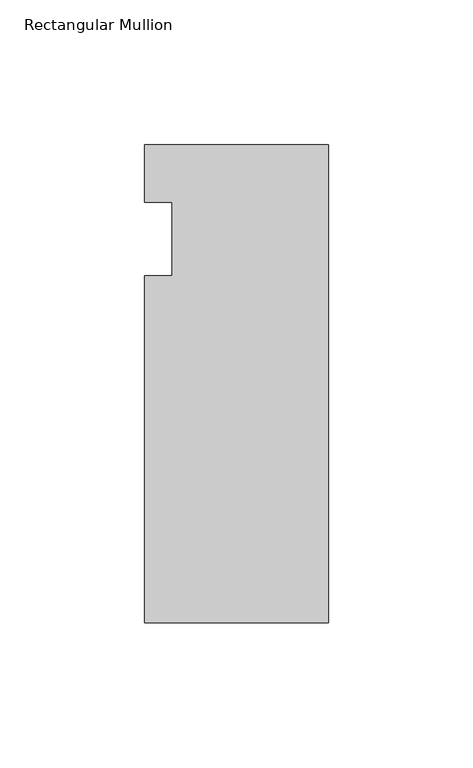
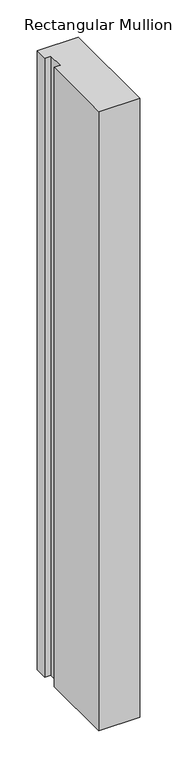
"""IFC4 building model written with IfcOpenShell, lengths in millimetres: member geometry, Rectangular Mullion."""

import ifcopenshell
import ifcopenshell.guid

model = None  # the IFC model being written
_history = None  # IfcOwnerHistory: only IFC2X3 demands one
_inside = {}  # id of a spatial element -> (the spatial element, [elements in it])
_under = {}  # id of a project, library or spatial element -> (it, [spatial elements below it])
_declared = {}  # id of a project -> (the project, [libraries it declares])
_typed = {}  # id of a type object -> (the type object, [elements of that type])
_made_of = {}  # id of a material, layer set ... -> (it, [elements and type objects made of it])


def new_model(schema):
    """Start an empty IFC model of exactly this schema.

    Asked for "IFC4X3", IfcOpenShell would pick the latest addendum, in which some entities
    have other attributes; the version numbers below select the first issue.
    IFC2X3 requires an IfcOwnerHistory on every rooted entity: one is made here for all.
    """
    global model, _history
    if schema == "IFC4X3":
        model = ifcopenshell.file(schema_version=(4, 3, 0, 0))
    else:
        model = ifcopenshell.file(schema=schema)
    _inside.clear()
    _under.clear()
    _declared.clear()
    _typed.clear()
    _made_of.clear()
    _history = None
    if model.schema == "IFC2X3":
        org = make("IfcOrganization", Name="unknown")
        user = make(
            "IfcPersonAndOrganization",
            ThePerson=make("IfcPerson", FamilyName="unknown"),
            TheOrganization=org,
        )
        app = make(
            "IfcApplication",
            ApplicationDeveloper=org,
            Version="unknown",
            ApplicationFullName="unknown",
            ApplicationIdentifier="unknown",
        )
        _history = make(
            "IfcOwnerHistory",
            OwningUser=user,
            OwningApplication=app,
            ChangeAction="ADDED",
            CreationDate=0,
        )
    return model


def make(cls, **values):
    """One entity of the class cls with the attributes given. An attribute that is None is left unset."""
    return model.create_entity(
        cls, **{name: value for name, value in values.items() if value is not None}
    )


def rooted(cls, **values):
    """An entity with a GlobalId (a new one), such as an element, a storey or a relation."""
    return make(cls, GlobalId=ifcopenshell.guid.new(), OwnerHistory=_history, **values)


def si_unit(unit_type, name, prefix=None):
    """IfcSIUnit, for example si_unit("LENGTHUNIT", "METRE", prefix="MILLI")."""
    return make("IfcSIUnit", UnitType=unit_type, Prefix=prefix, Name=name)


def assignment(units):
    """IfcUnitAssignment: the units of a project."""
    return None if units is None else make("IfcUnitAssignment", Units=units)


def point(xyz):
    """IfcCartesianPoint."""
    return None if xyz is None else make("IfcCartesianPoint", Coordinates=xyz)


def direction(xyz):
    """IfcDirection."""
    return None if xyz is None else make("IfcDirection", DirectionRatios=xyz)


def frame(location, z_axis=None, x_axis=None):
    """IfcAxis2Placement3D, a coordinate frame: its origin and axes. An axis left out is left unset."""
    return make(
        "IfcAxis2Placement3D",
        Location=point(location),
        Axis=direction(z_axis),
        RefDirection=direction(x_axis),
    )


def origin():
    """The frame at (0, 0, 0) with its axes left unset."""
    return frame((0.0, 0.0, 0.0))


def place(relative_to, where):
    """IfcLocalPlacement: puts the frame where relative to a parent placement (None: the world)."""
    return make(
        "IfcLocalPlacement", PlacementRelTo=relative_to, RelativePlacement=where
    )


def context(
    kind, dimensions, precision=None, world=None, true_north=None, identifier=None
):
    """IfcGeometricRepresentationContext, for example the 3D "Model" context."""
    return make(
        "IfcGeometricRepresentationContext",
        ContextIdentifier=identifier,
        ContextType=kind,
        CoordinateSpaceDimension=dimensions,
        Precision=precision,
        WorldCoordinateSystem=world,
        TrueNorth=true_north,
    )


def project(units=None, contexts=None):
    """IfcProject with its units and contexts."""
    return rooted(
        "IfcProject",
        Name="project",
        RepresentationContexts=contexts,
        UnitsInContext=assignment(units),
    )


def spatial(cls, under=None, at=None, **own):
    """A site, building, storey or space (cls), placed at a placement, below another one or the project."""
    s = rooted(cls, ObjectPlacement=at, **own)
    if under is not None:
        _under.setdefault(under.id(), (under, []))[1].append(s)
    return s


def polyline(points):
    """IfcPolyline through the points."""
    return make("IfcPolyline", Points=[point(p) for p in points])


def outline(outer, holes=None, kind="AREA"):
    """IfcArbitraryClosedProfileDef: a profile drawn as a closed curve; with holes, ...WithVoids."""
    if holes is None:
        return make("IfcArbitraryClosedProfileDef", ProfileType=kind, OuterCurve=outer)
    return make(
        "IfcArbitraryProfileDefWithVoids",
        ProfileType=kind,
        OuterCurve=outer,
        InnerCurves=holes,
    )


def extrude(swept, where, along, depth):
    """IfcExtrudedAreaSolid: the profile swept, set in the frame where, extruded along a direction by depth."""
    return make(
        "IfcExtrudedAreaSolid",
        SweptArea=swept,
        Position=where,
        ExtrudedDirection=direction(along),
        Depth=depth,
    )


def shape(context_of_items, identifier, shape_type, items):
    """IfcShapeRepresentation: the items that make up one representation, for example the "Body"."""
    return make(
        "IfcShapeRepresentation",
        ContextOfItems=context_of_items,
        RepresentationIdentifier=identifier,
        RepresentationType=shape_type,
        Items=items,
    )


def source(mapping_origin, context_of_items, identifier, shape_type, items):
    """IfcRepresentationMap: a shape defined once, which mapped items show again and again."""
    return make(
        "IfcRepresentationMap",
        MappingOrigin=mapping_origin,
        MappedRepresentation=shape(context_of_items, identifier, shape_type, items),
    )


def transform(
    local_origin,
    x_axis=None,
    y_axis=None,
    z_axis=None,
    scale=None,
    scale2=None,
    scale3=None,
    uniform=True,
):
    """IfcCartesianTransformationOperator3D, or its non-uniform kind. x_axis, y_axis, z_axis: its Axis1, 2, 3."""
    if uniform:
        return make(
            "IfcCartesianTransformationOperator3D",
            Axis1=direction(x_axis),
            Axis2=direction(y_axis),
            LocalOrigin=point(local_origin),
            Scale=scale,
            Axis3=direction(z_axis),
        )
    return make(
        "IfcCartesianTransformationOperator3DnonUniform",
        Axis1=direction(x_axis),
        Axis2=direction(y_axis),
        LocalOrigin=point(local_origin),
        Scale=scale,
        Axis3=direction(z_axis),
        Scale2=scale2,
        Scale3=scale3,
    )


def mapped(mapping_source, mapping_target):
    """IfcMappedItem: shows the shape of a source again, moved by a transform."""
    return make(
        "IfcMappedItem", MappingSource=mapping_source, MappingTarget=mapping_target
    )


def made_of(thing, what):
    """Note that an element or type object is made of a material, layer set ...; save() writes the relation."""
    if what is not None:
        _made_of.setdefault(what.id(), (what, []))[1].append(thing)
    return thing


def element(
    cls,
    number,
    at=None,
    inside=None,
    cuts=None,
    type_object=None,
    material=None,
    context=None,
    identifier="Body",
    shape_type=None,
    held_by="IfcProductDefinitionShape",
    body=None,
    shapes=None,
    **own,
):
    """One element of the class cls, such as IfcWall. Its Tag is "e" and its number.

    at: its placement. inside: the storey or other place that contains it. cuts: it is an
    opening in that element (IfcRelVoidsElement). A single representation is given by context,
    identifier, shape_type and body (its items); several are given by shapes. held_by: the class
    of the entity that holds the representations. save() writes the other relations.
    """
    e = rooted(cls, Tag="e%d" % number, ObjectPlacement=at, **own)
    if body is not None:
        shapes = [shape(context, identifier, shape_type, body)]
    if shapes is not None:
        e.Representation = make(held_by, Representations=shapes)
    if inside is not None:
        _inside.setdefault(inside.id(), (inside, []))[1].append(e)
    if cuts is not None:
        rooted(
            "IfcRelVoidsElement", RelatingBuildingElement=cuts, RelatedOpeningElement=e
        )
    if type_object is not None:
        _typed.setdefault(type_object.id(), (type_object, []))[1].append(e)
    return made_of(e, material)


def aggregate(whole, parts):
    """IfcRelAggregates: a whole, such as a stair, and the parts it consists of."""
    return rooted("IfcRelAggregates", RelatingObject=whole, RelatedObjects=parts)


def save(model, path):
    """Write the relations noted so far, then the file.

    IfcRelAggregates (storeys below a building ...), IfcRelContainedInSpatialStructure (elements
    in a storey), IfcRelDefinesByType, IfcRelAssociatesMaterial and IfcRelDeclares: one each for
    every whole, place, type object, material and project.
    """
    for whole, parts in _under.values():
        aggregate(whole, parts)
    for where, things in _inside.values():
        rooted(
            "IfcRelContainedInSpatialStructure",
            RelatedElements=things,
            RelatingStructure=where,
        )
    for kind, things in _typed.values():
        rooted("IfcRelDefinesByType", RelatedObjects=things, RelatingType=kind)
    for what, things in _made_of.values():
        rooted("IfcRelAssociatesMaterial", RelatedObjects=things, RelatingMaterial=what)
    for by, libraries in _declared.values():
        rooted("IfcRelDeclares", RelatingContext=by, RelatedDefinitions=libraries)
    model.write(path)


def rectangular_mullion_dba902ca(model_context):
    return source(origin(), model_context, "Body", "SweptSolid", [
        extrude(outline(polyline([(-63.5, 32.54375), (0.0, 32.54375), (0.0, -132.55625), (-63.5, -132.55625), (-63.5, -12.7), (-53.975, -12.7), (-53.975, 12.7), (-63.5, 12.7), (-63.5, 32.54375)])), frame((0.0, 0.0, -1016.0), z_axis=(0.0, 0.0, 1.0), x_axis=(1.0, 0.0, 0.0)), (0.0, 0.0, 1.0), 1016.0),
    ])


if __name__ == "__main__":
    model = new_model("IFC4")
    model_context = context("Model", 3, world=origin())
    ifc_project = project(units=[si_unit("LENGTHUNIT", "METRE", prefix="MILLI")], contexts=[model_context])
    site = spatial("IfcSite", under=ifc_project)
    building = spatial("IfcBuilding", under=site)
    placement = place(None, origin())
    rectangular_mullion_shape = rectangular_mullion_dba902ca(model_context)
    element("IfcMember", 1, ObjectType="Rectangular Mullion", at=placement, inside=building, context=model_context, shape_type="MappedRepresentation", body=[
        mapped(rectangular_mullion_shape, transform((0.0, 0.0, 0.0), x_axis=(1.0, 0.0, 0.0), y_axis=(0.0, 1.0, 0.0), z_axis=(0.0, 0.0, 1.0))),
    ])
    save(model, "model.ifc")
